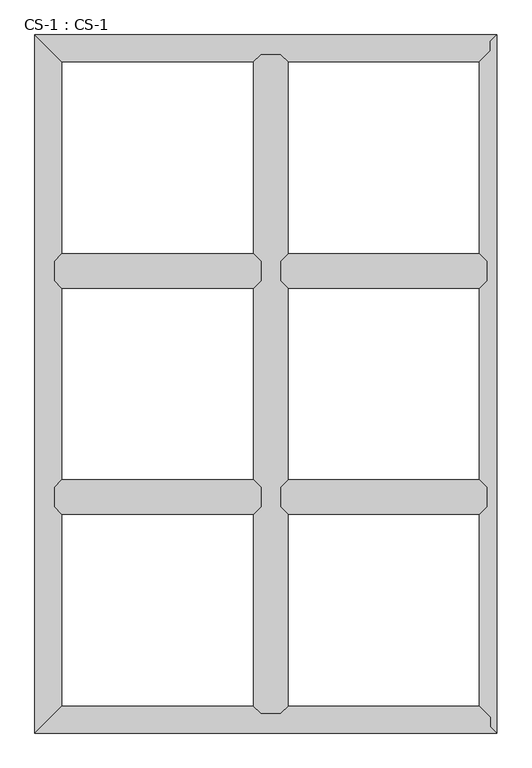
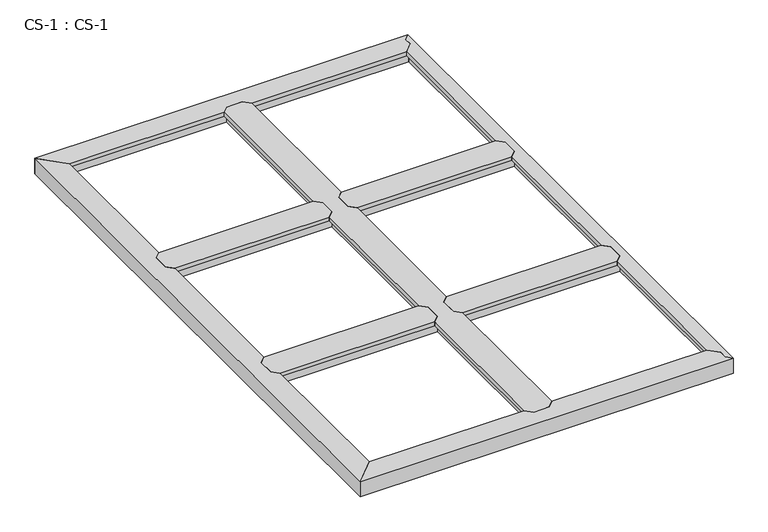
"""IFC4 building model written with IfcOpenShell, lengths in millimetres: proxy geometry, CS-1 : CS-1."""

from ifc_helpers import new_model, si_unit, origin, place, context, project, spatial, faceted_brep, source, transform, mapped, element, save


def cs_1_cs_1_dc790b53(model_context):
    return source(origin(), model_context, "Body", "Brep", [
        faceted_brep([(762.0, 762.0, 46.355), (762.0, 762.0, 0.0), (762.0, 768.985, 0.0), (762.0, 768.985, 63.5), (762.0, 821.055, 63.5), (762.0, 821.055, 0.0), (762.0, 828.04, 0.0), (762.0, 828.04, 46.355), (762.0, 828.04, 66.675), (762.0, 762.0, 66.675), (66.04, 828.04, 46.355), (66.04, 828.04, 0.0), (66.04, 821.055, 0.0), (66.04, 821.055, 63.5), (66.04, 768.985, 63.5), (66.04, 768.985, 0.0), (66.04, 762.0, 0.0), (66.04, 762.0, 46.355), (66.04, 762.0, 66.675), (66.04, 828.04, 66.675), (90.678, 852.678, 66.675), (737.362, 852.678, 66.675), (737.362, 852.678, 49.8094), (90.678, 852.678, 49.8094), (738.886, 851.154, 49.8094), (89.154, 851.154, 49.8094), (738.886, 851.154, 64.643), (89.154, 851.154, 64.643), (749.173, 840.867, 64.643), (78.867, 840.867, 64.643), (749.173, 840.867, 46.355), (78.867, 840.867, 46.355), (749.173, 749.173, 46.355), (78.867, 749.173, 46.355), (749.173, 749.173, 64.643), (78.867, 749.173, 64.643), (738.886, 738.886, 64.643), (89.154, 738.886, 64.643), (738.886, 738.886, 49.8094), (89.154, 738.886, 49.8094), (737.362, 737.362, 49.8094), (90.678, 737.362, 49.8094), (737.362, 737.362, 66.675), (90.678, 737.362, 66.675)], [[[0, 1, 2, 3, 4, 5, 6, 7, 8, 9]], [[10, 11, 12, 13, 14, 15, 16, 17, 18, 19]], [[20, 21, 22, 23]], [[23, 22, 24, 25]], [[25, 24, 26, 27]], [[27, 26, 28, 29]], [[29, 28, 30, 31]], [[7, 10, 31, 30]], [[7, 6, 11, 10]], [[6, 5, 12, 11]], [[5, 4, 13, 12]], [[4, 3, 14, 13]], [[3, 2, 15, 14]], [[2, 1, 16, 15]], [[1, 0, 17, 16]], [[17, 0, 32, 33]], [[33, 32, 34, 35]], [[35, 34, 36, 37]], [[37, 36, 38, 39]], [[39, 38, 40, 41]], [[41, 40, 42, 43]], [[9, 8, 21, 20, 19, 18, 43, 42]], [[10, 19, 20, 23, 25, 27, 29, 31]], [[18, 17, 33, 35, 37, 39, 41, 43]], [[0, 9, 42, 40, 38, 36, 34, 32]], [[8, 7, 30, 28, 26, 24, 22, 21]]]),
        faceted_brep([(762.0, 1524.0, 46.355), (762.0, 1524.0, 0.0), (762.0, 1530.985, 0.0), (762.0, 1530.985, 63.5), (762.0, 1583.055, 63.5), (762.0, 1583.055, 0.0), (762.0, 1590.04, 0.0), (762.0, 1590.04, 46.355), (762.0, 1590.04, 66.675), (762.0, 1524.0, 66.675), (66.04, 1590.04, 46.355), (66.04, 1590.04, 0.0), (66.04, 1583.055, 0.0), (66.04, 1583.055, 63.5), (66.04, 1530.985, 63.5), (66.04, 1530.985, 0.0), (66.04, 1524.0, 0.0), (66.04, 1524.0, 46.355), (66.04, 1524.0, 66.675), (66.04, 1590.04, 66.675), (90.678, 1614.678, 66.675), (737.362, 1614.678, 66.675), (737.362, 1614.678, 49.8094), (90.678, 1614.678, 49.8094), (738.886, 1613.154, 49.8094), (89.154, 1613.154, 49.8094), (738.886, 1613.154, 64.643), (89.154, 1613.154, 64.643), (749.173, 1602.867, 64.643), (78.867, 1602.867, 64.643), (749.173, 1602.867, 46.355), (78.867, 1602.867, 46.355), (749.173, 1511.173, 46.355), (78.867, 1511.173, 46.355), (749.173, 1511.173, 64.643), (78.867, 1511.173, 64.643), (738.886, 1500.886, 64.643), (89.154, 1500.886, 64.643), (738.886, 1500.886, 49.8094), (89.154, 1500.886, 49.8094), (737.362, 1499.362, 49.8094), (90.678, 1499.362, 49.8094), (737.362, 1499.362, 66.675), (90.678, 1499.362, 66.675)], [[[0, 1, 2, 3, 4, 5, 6, 7, 8, 9]], [[10, 11, 12, 13, 14, 15, 16, 17, 18, 19]], [[20, 21, 22, 23]], [[23, 22, 24, 25]], [[25, 24, 26, 27]], [[27, 26, 28, 29]], [[29, 28, 30, 31]], [[7, 10, 31, 30]], [[7, 6, 11, 10]], [[6, 5, 12, 11]], [[5, 4, 13, 12]], [[4, 3, 14, 13]], [[3, 2, 15, 14]], [[2, 1, 16, 15]], [[1, 0, 17, 16]], [[17, 0, 32, 33]], [[33, 32, 34, 35]], [[35, 34, 36, 37]], [[37, 36, 38, 39]], [[39, 38, 40, 41]], [[41, 40, 42, 43]], [[9, 8, 21, 20, 19, 18, 43, 42]], [[10, 19, 20, 23, 25, 27, 29, 31]], [[18, 17, 33, 35, 37, 39, 41, 43]], [[0, 9, 42, 40, 38, 36, 34, 32]], [[8, 7, 30, 28, 26, 24, 22, 21]]]),
        faceted_brep([(828.04, 2286.0, 46.355), (828.04, 2286.0, 0.0), (821.055, 2286.0, 0.0), (821.055, 2286.0, 63.5), (768.985, 2286.0, 63.5), (768.985, 2286.0, 0.0), (762.0, 2286.0, 0.0), (762.0, 2286.0, 46.355), (762.0, 2286.0, 66.675), (828.04, 2286.0, 66.675), (762.0, 66.04, 46.355), (762.0, 66.04, 0.0), (768.985, 66.04, 0.0), (768.985, 66.04, 63.5), (821.055, 66.04, 63.5), (821.055, 66.04, 0.0), (828.04, 66.04, 0.0), (828.04, 66.04, 46.355), (828.04, 66.04, 66.675), (762.0, 66.04, 66.675), (737.362, 90.678, 49.8094), (737.362, 90.678, 66.675), (737.362, 737.362, 66.675), (737.362, 737.362, 49.8094), (737.362, 2261.362, 66.675), (737.362, 2261.362, 49.8094), (737.362, 1614.678, 49.8094), (737.362, 1614.678, 66.675), (737.362, 852.678, 49.8094), (737.362, 852.678, 66.675), (737.362, 1499.362, 66.675), (737.362, 1499.362, 49.8094), (738.886, 89.154, 49.8094), (738.886, 738.886, 49.8094), (738.886, 2262.886, 49.8094), (738.886, 1613.154, 49.8094), (738.886, 851.154, 49.8094), (738.886, 1500.886, 49.8094), (738.886, 89.154, 64.643), (738.886, 738.886, 64.643), (738.886, 2262.886, 64.643), (738.886, 1613.154, 64.643), (738.886, 851.154, 64.643), (738.886, 1500.886, 64.643), (749.173, 78.867, 64.643), (749.173, 749.173, 64.643), (749.173, 2273.173, 64.643), (749.173, 1602.867, 64.643), (749.173, 840.867, 64.643), (749.173, 1511.173, 64.643), (749.173, 78.867, 46.355), (749.173, 749.173, 46.355), (749.173, 2273.173, 46.355), (749.173, 1602.867, 46.355), (749.173, 840.867, 46.355), (749.173, 1511.173, 46.355), (762.0, 762.0, 46.355), (762.0, 1590.04, 46.355), (762.0, 828.04, 46.355), (762.0, 1524.0, 46.355), (762.0, 762.0, 66.675), (762.0, 828.04, 66.675), (762.0, 1524.0, 66.675), (762.0, 1590.04, 66.675), (828.04, 1590.04, 46.355), (828.04, 1590.04, 66.675), (828.04, 1524.0, 66.675), (828.04, 1524.0, 46.355), (828.04, 828.04, 46.355), (828.04, 828.04, 66.675), (828.04, 762.0, 66.675), (828.04, 762.0, 46.355), (840.867, 78.867, 46.355), (840.867, 749.173, 46.355), (840.867, 2273.173, 46.355), (840.867, 1602.867, 46.355), (840.867, 840.867, 46.355), (840.867, 1511.173, 46.355), (840.867, 78.867, 64.643), (840.867, 749.173, 64.643), (840.867, 2273.173, 64.643), (840.867, 1602.867, 64.643), (840.867, 840.867, 64.643), (840.867, 1511.173, 64.643), (851.154, 89.154, 64.643), (851.154, 738.886, 64.643), (851.154, 2262.886, 64.643), (851.154, 1613.154, 64.643), (851.154, 851.154, 64.643), (851.154, 1500.886, 64.643), (851.154, 89.154, 49.8094), (851.154, 738.886, 49.8094), (851.154, 2262.886, 49.8094), (851.154, 1613.154, 49.8094), (851.154, 851.154, 49.8094), (851.154, 1500.886, 49.8094), (852.678, 90.678, 49.8094), (852.678, 737.362, 49.8094), (852.678, 2261.362, 49.8094), (852.678, 1614.678, 49.8094), (852.678, 852.678, 49.8094), (852.678, 1499.362, 49.8094), (852.678, 90.678, 66.675), (852.678, 737.362, 66.675), (852.678, 2261.362, 66.675), (852.678, 1614.678, 66.675), (852.678, 852.678, 66.675), (852.678, 1499.362, 66.675)], [[[0, 1, 2, 3, 4, 5, 6, 7, 8, 9]], [[10, 11, 12, 13, 14, 15, 16, 17, 18, 19]], [[20, 21, 22, 23]], [[24, 25, 26, 27]], [[28, 29, 30, 31]], [[32, 20, 23, 33]], [[25, 34, 35, 26]], [[36, 28, 31, 37]], [[38, 32, 33, 39]], [[34, 40, 41, 35]], [[42, 36, 37, 43]], [[44, 38, 39, 45]], [[40, 46, 47, 41]], [[48, 42, 43, 49]], [[50, 44, 45, 51]], [[46, 52, 53, 47]], [[54, 48, 49, 55]], [[10, 50, 51, 56]], [[52, 7, 57, 53]], [[58, 54, 55, 59]], [[7, 6, 11, 10, 56, 60, 61, 58, 59, 62, 63, 57]], [[6, 5, 12, 11]], [[5, 4, 13, 12]], [[4, 3, 14, 13]], [[3, 2, 15, 14]], [[2, 1, 16, 15]], [[1, 0, 64, 65, 66, 67, 68, 69, 70, 71, 17, 16]], [[72, 17, 71, 73]], [[0, 74, 75, 64]], [[76, 68, 67, 77]], [[78, 72, 73, 79]], [[74, 80, 81, 75]], [[82, 76, 77, 83]], [[84, 78, 79, 85]], [[80, 86, 87, 81]], [[88, 82, 83, 89]], [[90, 84, 85, 91]], [[86, 92, 93, 87]], [[94, 88, 89, 95]], [[96, 90, 91, 97]], [[92, 98, 99, 93]], [[100, 94, 95, 101]], [[102, 96, 97, 103]], [[98, 104, 105, 99]], [[106, 100, 101, 107]], [[9, 8, 24, 27, 63, 62, 30, 29, 61, 60, 22, 21, 19, 18, 102, 103, 70, 69, 106, 107, 66, 65, 105, 104]], [[10, 19, 21, 20, 32, 38, 44, 50]], [[18, 17, 72, 78, 84, 90, 96, 102]], [[0, 9, 104, 98, 92, 86, 80, 74]], [[8, 7, 52, 46, 40, 34, 25, 24]], [[60, 56, 51, 45, 39, 33, 23, 22]], [[58, 61, 29, 28, 36, 42, 48, 54]], [[62, 59, 55, 49, 43, 37, 31, 30]], [[57, 63, 27, 26, 35, 41, 47, 53]], [[69, 68, 76, 82, 88, 94, 100, 106]], [[71, 70, 103, 97, 91, 85, 79, 73]], [[65, 64, 75, 81, 87, 93, 99, 105]], [[67, 66, 107, 101, 95, 89, 83, 77]]]),
        faceted_brep([(1524.0, 762.0, 46.355), (1524.0, 762.0, 0.0), (1524.0, 768.985, 0.0), (1524.0, 768.985, 63.5), (1524.0, 821.055, 63.5), (1524.0, 821.055, 0.0), (1524.0, 828.04, 0.0), (1524.0, 828.04, 46.355), (1524.0, 828.04, 66.675), (1524.0, 762.0, 66.675), (828.04, 828.04, 46.355), (828.04, 828.04, 0.0), (828.04, 821.055, 0.0), (828.04, 821.055, 63.5), (828.04, 768.985, 63.5), (828.04, 768.985, 0.0), (828.04, 762.0, 0.0), (828.04, 762.0, 46.355), (828.04, 762.0, 66.675), (828.04, 828.04, 66.675), (852.678, 852.678, 66.675), (1499.362, 852.678, 66.675), (1499.362, 852.678, 49.8094), (852.678, 852.678, 49.8094), (1500.886, 851.154, 49.8094), (851.154, 851.154, 49.8094), (1500.886, 851.154, 64.643), (851.154, 851.154, 64.643), (1511.173, 840.867, 64.643), (840.867, 840.867, 64.643), (1511.173, 840.867, 46.355), (840.867, 840.867, 46.355), (1511.173, 749.173, 46.355), (840.867, 749.173, 46.355), (1511.173, 749.173, 64.643), (840.867, 749.173, 64.643), (1500.886, 738.886, 64.643), (851.154, 738.886, 64.643), (1500.886, 738.886, 49.8094), (851.154, 738.886, 49.8094), (1499.362, 737.362, 49.8094), (852.678, 737.362, 49.8094), (1499.362, 737.362, 66.675), (852.678, 737.362, 66.675)], [[[0, 1, 2, 3, 4, 5, 6, 7, 8, 9]], [[10, 11, 12, 13, 14, 15, 16, 17, 18, 19]], [[20, 21, 22, 23]], [[23, 22, 24, 25]], [[25, 24, 26, 27]], [[27, 26, 28, 29]], [[29, 28, 30, 31]], [[7, 10, 31, 30]], [[7, 6, 11, 10]], [[6, 5, 12, 11]], [[5, 4, 13, 12]], [[4, 3, 14, 13]], [[3, 2, 15, 14]], [[2, 1, 16, 15]], [[1, 0, 17, 16]], [[17, 0, 32, 33]], [[33, 32, 34, 35]], [[35, 34, 36, 37]], [[37, 36, 38, 39]], [[39, 38, 40, 41]], [[41, 40, 42, 43]], [[9, 8, 21, 20, 19, 18, 43, 42]], [[10, 19, 20, 23, 25, 27, 29, 31]], [[18, 17, 33, 35, 37, 39, 41, 43]], [[0, 9, 42, 40, 38, 36, 34, 32]], [[8, 7, 30, 28, 26, 24, 22, 21]]]),
        faceted_brep([(1524.0, 1524.0, 46.355), (1524.0, 1524.0, 0.0), (1524.0, 1530.985, 0.0), (1524.0, 1530.985, 63.5), (1524.0, 1583.055, 63.5), (1524.0, 1583.055, 0.0), (1524.0, 1590.04, 0.0), (1524.0, 1590.04, 46.355), (1524.0, 1590.04, 66.675), (1524.0, 1524.0, 66.675), (828.04, 1590.04, 46.355), (828.04, 1590.04, 0.0), (828.04, 1583.055, 0.0), (828.04, 1583.055, 63.5), (828.04, 1530.985, 63.5), (828.04, 1530.985, 0.0), (828.04, 1524.0, 0.0), (828.04, 1524.0, 46.355), (828.04, 1524.0, 66.675), (828.04, 1590.04, 66.675), (852.678, 1614.678, 66.675), (1499.362, 1614.678, 66.675), (1499.362, 1614.678, 49.8094), (852.678, 1614.678, 49.8094), (1500.886, 1613.154, 49.8094), (851.154, 1613.154, 49.8094), (1500.886, 1613.154, 64.643), (851.154, 1613.154, 64.643), (1511.173, 1602.867, 64.643), (840.867, 1602.867, 64.643), (1511.173, 1602.867, 46.355), (840.867, 1602.867, 46.355), (1511.173, 1511.173, 46.355), (840.867, 1511.173, 46.355), (1511.173, 1511.173, 64.643), (840.867, 1511.173, 64.643), (1500.886, 1500.886, 64.643), (851.154, 1500.886, 64.643), (1500.886, 1500.886, 49.8094), (851.154, 1500.886, 49.8094), (1499.362, 1499.362, 49.8094), (852.678, 1499.362, 49.8094), (1499.362, 1499.362, 66.675), (852.678, 1499.362, 66.675)], [[[0, 1, 2, 3, 4, 5, 6, 7, 8, 9]], [[10, 11, 12, 13, 14, 15, 16, 17, 18, 19]], [[20, 21, 22, 23]], [[23, 22, 24, 25]], [[25, 24, 26, 27]], [[27, 26, 28, 29]], [[29, 28, 30, 31]], [[7, 10, 31, 30]], [[7, 6, 11, 10]], [[6, 5, 12, 11]], [[5, 4, 13, 12]], [[4, 3, 14, 13]], [[3, 2, 15, 14]], [[2, 1, 16, 15]], [[1, 0, 17, 16]], [[17, 0, 32, 33]], [[33, 32, 34, 35]], [[35, 34, 36, 37]], [[37, 36, 38, 39]], [[39, 38, 40, 41]], [[41, 40, 42, 43]], [[9, 8, 21, 20, 19, 18, 43, 42]], [[10, 19, 20, 23, 25, 27, 29, 31]], [[18, 17, 33, 35, 37, 39, 41, 43]], [[0, 9, 42, 40, 38, 36, 34, 32]], [[8, 7, 30, 28, 26, 24, 22, 21]]]),
        faceted_brep([(1557.02, 0.0, 0.0), (0.0, 0.0, 0.0), (6.985, 6.985, 0.0), (1550.035, 6.985, 0.0), (1550.035, 6.985, 63.5), (6.985, 6.985, 63.5), (1535.43, 21.59, 63.5), (59.055, 59.055, 63.5), (1529.9093878, 59.055, 63.5), (1535.43, 53.34, 63.5), (1529.9093878, 59.055, 0.0), (59.055, 59.055, 0.0), (66.04, 66.04, 0.0), (1523.1619728, 66.04, 0.0), (1523.1619728, 66.04, 46.355), (66.04, 66.04, 46.355), (762.0, 66.04, 46.355), (762.0, 66.04, 66.675), (828.04, 66.04, 66.675), (828.04, 66.04, 46.355), (1510.7712653, 78.867, 46.355), (840.867, 78.867, 46.355), (78.867, 78.867, 46.355), (749.173, 78.867, 46.355), (1510.7712653, 78.867, 63.5), (840.867, 78.867, 63.5), (78.867, 78.867, 63.5), (749.173, 78.867, 63.5), (1500.8341633, 89.154, 63.5), (851.154, 89.154, 63.5), (89.154, 89.154, 63.5), (738.886, 89.154, 63.5), (1500.8341633, 89.154, 49.8094), (851.154, 89.154, 49.8094), (89.154, 89.154, 49.8094), (738.886, 89.154, 49.8094), (1499.362, 90.678, 49.8094), (852.678, 90.678, 49.8094), (90.678, 90.678, 49.8094), (737.362, 90.678, 49.8094), (1499.362, 90.678, 66.675), (852.678, 90.678, 66.675), (90.678, 90.678, 66.675), (737.362, 90.678, 66.675), (0.0, 0.0, 66.675), (1557.02, 0.0, 66.675), (1535.43, 21.59, 66.675), (1535.43, 53.34, 66.675)], [[[0, 1, 2, 3]], [[4, 3, 2, 5]], [[6, 4, 5, 7, 8, 9]], [[10, 8, 7, 11]], [[12, 13, 10, 11]], [[14, 13, 12, 15, 16, 17, 18, 19]], [[20, 14, 19, 21]], [[15, 22, 23, 16]], [[24, 20, 21, 25]], [[22, 26, 27, 23]], [[28, 24, 25, 29]], [[26, 30, 31, 27]], [[32, 28, 29, 33]], [[30, 34, 35, 31]], [[36, 32, 33, 37]], [[34, 38, 39, 35]], [[40, 36, 37, 41]], [[38, 42, 43, 39]], [[44, 45, 46, 47, 40, 41, 18, 17, 43, 42]], [[1, 0, 45, 44]], [[6, 46, 45, 0, 3, 4]], [[47, 9, 8, 10, 13, 14, 20, 24, 28, 32, 36, 40]], [[46, 6, 9, 47]], [[2, 1, 44, 42, 38, 34, 30, 26, 22, 15, 12, 11, 7, 5]], [[17, 16, 23, 27, 31, 35, 39, 43]], [[19, 18, 41, 37, 33, 29, 25, 21]]]),
        faceted_brep([(1557.02, 0.0, 66.675), (1557.02, 2352.04, 66.675), (1535.43, 2330.45, 66.675), (1535.43, 2298.7, 66.675), (1499.362, 2261.362, 66.675), (1499.362, 1614.678, 66.675), (1524.0, 1590.04, 66.675), (1524.0, 1524.0, 66.675), (1499.362, 1499.362, 66.675), (1499.362, 852.678, 66.675), (1524.0, 828.04, 66.675), (1524.0, 762.0, 66.675), (1499.362, 737.362, 66.675), (1499.362, 90.678, 66.675), (1535.43, 53.34, 66.675), (1535.43, 21.59, 66.675), (1557.02, 0.0, 63.5), (1557.02, 2352.04, 63.5), (1535.43, 21.59, 63.5), (1535.43, 53.34, 63.5), (1530.985, 57.9415141, 63.5), (1530.985, 2294.0984859, 63.5), (1535.43, 2298.7, 63.5), (1535.43, 2330.45, 63.5), (1530.985, 2294.0984859, 0.0), (1530.985, 57.9415141, 0.0), (1524.0, 65.1724648, 0.0), (1524.0, 2286.8675352, 0.0), (1524.0, 2286.8675352, 46.355), (1524.0, 65.1724648, 46.355), (1524.0, 762.0, 46.355), (1524.0, 828.04, 46.355), (1524.0, 1524.0, 46.355), (1524.0, 1590.04, 46.355), (1511.173, 2273.5888803, 46.355), (1511.173, 1602.867, 46.355), (1511.173, 78.4511197, 46.355), (1511.173, 749.173, 46.355), (1511.173, 1511.173, 46.355), (1511.173, 840.867, 46.355), (1511.173, 2273.5888803, 64.643), (1511.173, 1602.867, 64.643), (1511.173, 78.4511197, 64.643), (1511.173, 749.173, 64.643), (1511.173, 1511.173, 64.643), (1511.173, 840.867, 64.643), (1500.886, 2262.939662, 64.643), (1500.886, 1613.154, 64.643), (1500.886, 89.100338, 64.643), (1500.886, 738.886, 64.643), (1500.886, 1500.886, 64.643), (1500.886, 851.154, 64.643), (1500.886, 2262.939662, 49.8094), (1500.886, 1613.154, 49.8094), (1500.886, 89.100338, 49.8094), (1500.886, 738.886, 49.8094), (1500.886, 1500.886, 49.8094), (1500.886, 851.154, 49.8094), (1499.362, 2261.362, 49.8094), (1499.362, 1614.678, 49.8094), (1499.362, 90.678, 49.8094), (1499.362, 737.362, 49.8094), (1499.362, 1499.362, 49.8094), (1499.362, 852.678, 49.8094)], [[[0, 1, 2, 3, 4, 5, 6, 7, 8, 9, 10, 11, 12, 13, 14, 15]], [[1, 0, 16, 17]], [[17, 16, 18, 19, 20, 21, 22, 23]], [[24, 21, 20, 25]], [[26, 27, 24, 25]], [[28, 27, 26, 29, 30, 11, 10, 31, 32, 7, 6, 33]], [[34, 28, 33, 35]], [[29, 36, 37, 30]], [[38, 32, 31, 39]], [[40, 34, 35, 41]], [[36, 42, 43, 37]], [[44, 38, 39, 45]], [[46, 40, 41, 47]], [[42, 48, 49, 43]], [[50, 44, 45, 51]], [[52, 46, 47, 53]], [[48, 54, 55, 49]], [[56, 50, 51, 57]], [[58, 52, 53, 59]], [[54, 60, 61, 55]], [[62, 56, 57, 63]], [[4, 58, 59, 5]], [[60, 13, 12, 61]], [[8, 62, 63, 9]], [[23, 2, 1, 17]], [[3, 22, 21, 24, 27, 28, 34, 40, 46, 52, 58, 4]], [[2, 23, 22, 3]], [[18, 15, 14, 19]], [[19, 14, 13, 60, 54, 48, 42, 36, 29, 26, 25, 20]], [[15, 18, 16, 0]], [[7, 32, 38, 44, 50, 56, 62, 8]], [[33, 6, 5, 59, 53, 47, 41, 35]], [[11, 30, 37, 43, 49, 55, 61, 12]], [[31, 10, 9, 63, 57, 51, 45, 39]]]),
        faceted_brep([(0.0, 2352.04, 0.0), (1557.02, 2352.04, 0.0), (1550.035, 2345.055, 0.0), (6.985, 2345.055, 0.0), (6.985, 2345.055, 63.5), (1550.035, 2345.055, 63.5), (59.055, 2292.985, 63.5), (1535.43, 2330.45, 63.5), (1535.43, 2298.7, 63.5), (1529.9093878, 2292.985, 63.5), (59.055, 2292.985, 0.0), (1529.9093878, 2292.985, 0.0), (1523.1619728, 2286.0, 0.0), (66.04, 2286.0, 0.0), (66.04, 2286.0, 46.355), (1523.1619728, 2286.0, 46.355), (828.04, 2286.0, 46.355), (828.04, 2286.0, 66.675), (762.0, 2286.0, 66.675), (762.0, 2286.0, 46.355), (78.867, 2273.173, 46.355), (749.173, 2273.173, 46.355), (1510.7712653, 2273.173, 46.355), (840.867, 2273.173, 46.355), (78.867, 2273.173, 63.5), (749.173, 2273.173, 63.5), (1510.7712653, 2273.173, 63.5), (840.867, 2273.173, 63.5), (89.154, 2262.886, 63.5), (738.886, 2262.886, 63.5), (1500.8341633, 2262.886, 63.5), (851.154, 2262.886, 63.5), (89.154, 2262.886, 49.8094), (738.886, 2262.886, 49.8094), (1500.8341633, 2262.886, 49.8094), (851.154, 2262.886, 49.8094), (90.678, 2261.362, 49.8094), (737.362, 2261.362, 49.8094), (1499.362, 2261.362, 49.8094), (852.678, 2261.362, 49.8094), (90.678, 2261.362, 66.675), (737.362, 2261.362, 66.675), (1499.362, 2261.362, 66.675), (852.678, 2261.362, 66.675), (1557.02, 2352.04, 66.675), (0.0, 2352.04, 66.675), (1535.43, 2298.7, 66.675), (1535.43, 2330.45, 66.675)], [[[0, 1, 2, 3]], [[4, 3, 2, 5]], [[6, 4, 5, 7, 8, 9]], [[10, 6, 9, 11]], [[12, 13, 10, 11]], [[14, 13, 12, 15, 16, 17, 18, 19]], [[20, 14, 19, 21]], [[15, 22, 23, 16]], [[24, 20, 21, 25]], [[22, 26, 27, 23]], [[28, 24, 25, 29]], [[26, 30, 31, 27]], [[32, 28, 29, 33]], [[30, 34, 35, 31]], [[36, 32, 33, 37]], [[34, 38, 39, 35]], [[40, 36, 37, 41]], [[38, 42, 43, 39]], [[44, 45, 40, 41, 18, 17, 43, 42, 46, 47]], [[1, 0, 45, 44]], [[0, 3, 4, 6, 10, 13, 14, 20, 24, 28, 32, 36, 40, 45]], [[7, 47, 46, 8]], [[8, 46, 42, 38, 34, 30, 26, 22, 15, 12, 11, 9]], [[47, 7, 5, 2, 1, 44]], [[17, 16, 23, 27, 31, 35, 39, 43]], [[19, 18, 41, 37, 33, 29, 25, 21]]]),
        faceted_brep([(0.0, 0.0, 0.0), (0.0, 2352.04, 0.0), (6.985, 2345.055, 0.0), (6.985, 6.985, 0.0), (6.985, 6.985, 63.5), (6.985, 2345.055, 63.5), (59.055, 59.055, 63.5), (59.055, 2292.985, 63.5), (59.055, 59.055, 0.0), (59.055, 2292.985, 0.0), (66.04, 2286.0, 0.0), (66.04, 66.04, 0.0), (66.04, 66.04, 46.355), (66.04, 2286.0, 46.355), (66.04, 1590.04, 46.355), (66.04, 1590.04, 66.675), (66.04, 1524.0, 66.675), (66.04, 1524.0, 46.355), (66.04, 828.04, 46.355), (66.04, 828.04, 66.675), (66.04, 762.0, 66.675), (66.04, 762.0, 46.355), (78.867, 78.867, 46.355), (78.867, 749.173, 46.355), (78.867, 2273.173, 46.355), (78.867, 1602.867, 46.355), (78.867, 840.867, 46.355), (78.867, 1511.173, 46.355), (78.867, 78.867, 63.5), (78.867, 749.173, 63.5), (78.867, 2273.173, 63.5), (78.867, 1602.867, 63.5), (78.867, 840.867, 63.5), (78.867, 1511.173, 63.5), (89.154, 89.154, 63.5), (89.154, 738.886, 63.5), (89.154, 2262.886, 63.5), (89.154, 1613.154, 63.5), (89.154, 851.154, 63.5), (89.154, 1500.886, 63.5), (89.154, 89.154, 49.8094), (89.154, 738.886, 49.8094), (89.154, 2262.886, 49.8094), (89.154, 1613.154, 49.8094), (89.154, 851.154, 49.8094), (89.154, 1500.886, 49.8094), (90.678, 90.678, 49.8094), (90.678, 737.362, 49.8094), (90.678, 2261.362, 49.8094), (90.678, 1614.678, 49.8094), (90.678, 852.678, 49.8094), (90.678, 1499.362, 49.8094), (90.678, 90.678, 66.675), (90.678, 737.362, 66.675), (90.678, 2261.362, 66.675), (90.678, 1614.678, 66.675), (90.678, 852.678, 66.675), (90.678, 1499.362, 66.675), (0.0, 2352.04, 66.675), (0.0, 0.0, 66.675)], [[[0, 1, 2, 3]], [[4, 3, 2, 5]], [[6, 4, 5, 7]], [[8, 6, 7, 9]], [[10, 11, 8, 9]], [[12, 11, 10, 13, 14, 15, 16, 17, 18, 19, 20, 21]], [[22, 12, 21, 23]], [[13, 24, 25, 14]], [[26, 18, 17, 27]], [[28, 22, 23, 29]], [[24, 30, 31, 25]], [[32, 26, 27, 33]], [[34, 28, 29, 35]], [[30, 36, 37, 31]], [[38, 32, 33, 39]], [[40, 34, 35, 41]], [[36, 42, 43, 37]], [[44, 38, 39, 45]], [[46, 40, 41, 47]], [[42, 48, 49, 43]], [[50, 44, 45, 51]], [[52, 46, 47, 53]], [[48, 54, 55, 49]], [[56, 50, 51, 57]], [[58, 59, 52, 53, 20, 19, 56, 57, 16, 15, 55, 54]], [[1, 0, 59, 58]], [[0, 3, 4, 6, 8, 11, 12, 22, 28, 34, 40, 46, 52, 59]], [[2, 1, 58, 54, 48, 42, 36, 30, 24, 13, 10, 9, 7, 5]], [[19, 18, 26, 32, 38, 44, 50, 56]], [[21, 20, 53, 47, 41, 35, 29, 23]], [[15, 14, 25, 31, 37, 43, 49, 55]], [[17, 16, 57, 51, 45, 39, 33, 27]]]),
    ])


if __name__ == "__main__":
    model = new_model("IFC4")
    model_context = context("Model", 3, world=origin())
    ifc_project = project(units=[si_unit("LENGTHUNIT", "METRE", prefix="MILLI")], contexts=[model_context])
    site = spatial("IfcSite", under=ifc_project)
    building = spatial("IfcBuilding", under=site)
    placement = place(None, origin())
    cs_1_cs_1_shape = cs_1_cs_1_dc790b53(model_context)
    element("IfcBuildingElementProxy", 1, Name="CS-1 : CS-1", ObjectType="CS-1 : CS-1", at=placement, inside=building, context=model_context, shape_type="MappedRepresentation", body=[
        mapped(cs_1_cs_1_shape, transform((0.0, 0.0, 0.0), x_axis=(1.0, 0.0, 0.0), y_axis=(0.0, 1.0, 0.0), z_axis=(0.0, 0.0, 1.0))),
    ])
    save(model, "model.ifc")
